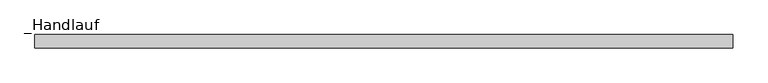
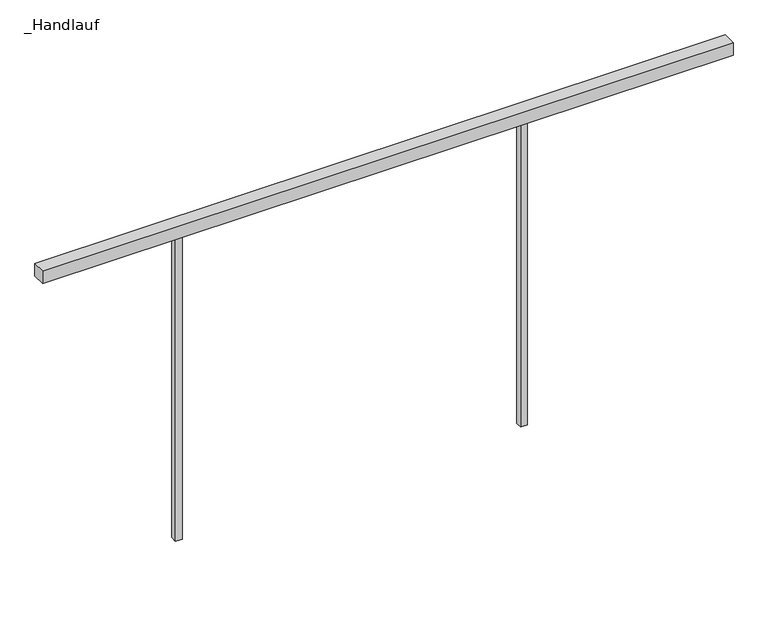
"""IFC4 building model written with IfcOpenShell, lengths in millimetres: railing geometry, _Handlauf."""

from ifc_helpers import new_model, si_unit, frame, origin, place, context, project, spatial, polyline, outline, extrude, source, transform, mapped, element, save


def handlauf_7364cf83(model_context):
    return source(origin(), model_context, "Body", "SweptSolid", [
        extrude(outline(polyline([(6505.0, 2300.0), (6505.0, 2260.0), (4445.0, 2260.0), (4445.0, 2300.0), (6505.0, 2300.0)])), frame((0.0, 0.0, 4460.0), z_axis=(0.0, 0.0, 1.0), x_axis=(1.0, 0.0, 0.0)), (0.0, 0.0, 1.0), 40.0),
        extrude(outline(polyline([(4867.0, 2290.0), (4867.0, 2270.0), (4847.0, 2270.0), (4847.0, 2290.0), (4867.0, 2290.0)])), frame((0.0, 0.0, 3500.0), z_axis=(0.0, 0.0, 1.0), x_axis=(1.0, 0.0, 0.0)), (0.0, 0.0, 1.0), 960.0),
        extrude(outline(polyline([(5897.0, 2290.0), (5897.0, 2270.0), (5877.0, 2270.0), (5877.0, 2290.0), (5897.0, 2290.0)])), frame((0.0, 0.0, 3500.0), z_axis=(0.0, 0.0, 1.0), x_axis=(1.0, 0.0, 0.0)), (0.0, 0.0, 1.0), 960.0),
    ])


if __name__ == "__main__":
    model = new_model("IFC4")
    model_context = context("Model", 3, world=origin())
    ifc_project = project(units=[si_unit("LENGTHUNIT", "METRE", prefix="MILLI")], contexts=[model_context])
    site = spatial("IfcSite", under=ifc_project)
    building = spatial("IfcBuilding", under=site)
    placement = place(None, origin())
    handlauf_shape = handlauf_7364cf83(model_context)
    element("IfcRailing", 1, ObjectType="_Handlauf", at=placement, inside=building, context=model_context, shape_type="MappedRepresentation", body=[
        mapped(handlauf_shape, transform((0.0, 0.0, 0.0), x_axis=(1.0, 0.0, 0.0), y_axis=(0.0, 1.0, 0.0), z_axis=(0.0, 0.0, 1.0))),
    ])
    save(model, "model.ifc")
